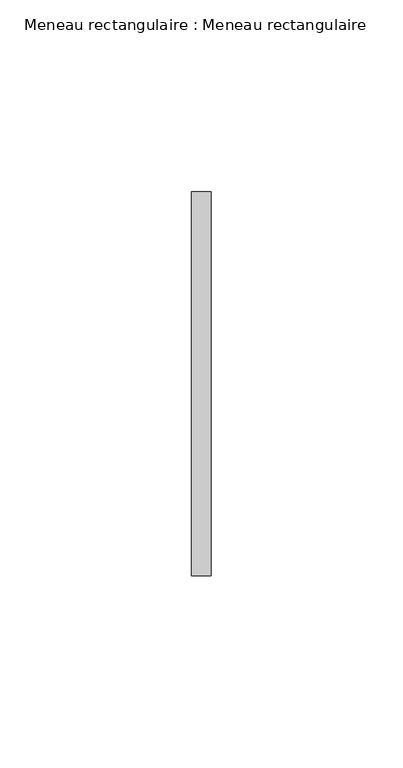
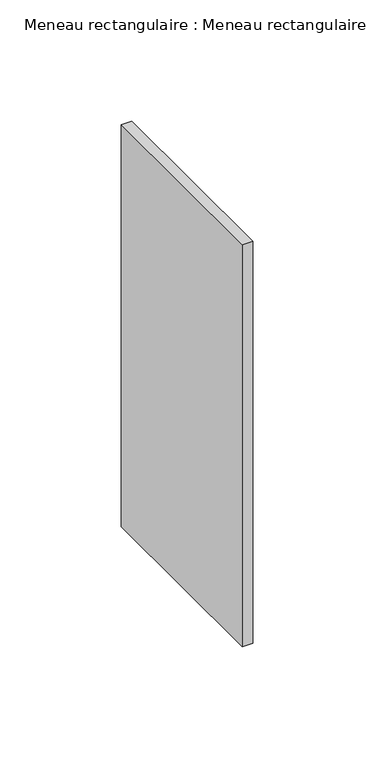
"""IFC4 building model written with IfcOpenShell, lengths in millimetres: member geometry, Meneau rectangulaire : Meneau rectangulaire."""

from ifc_helpers import new_model, si_unit, frame, origin, place, context, project, spatial, polyline, outline, extrude, source, transform, mapped, element, save


def meneau_rectangulaire_meneau_rectangulaire_6ae63805(model_context):
    return source(origin(), model_context, "Body", "SweptSolid", [
        extrude(outline(polyline([(2.5, 0.0), (-2.5, 0.0), (-2.5, 100.0), (2.5, 100.0), (2.5, 0.0)])), frame((0.0, 0.0, -202.5), z_axis=(0.0, 0.0, 1.0), x_axis=(1.0, 0.0, 0.0)), (0.0, 0.0, 1.0), 202.5),
    ])


if __name__ == "__main__":
    model = new_model("IFC4")
    model_context = context("Model", 3, world=origin())
    ifc_project = project(units=[si_unit("LENGTHUNIT", "METRE", prefix="MILLI")], contexts=[model_context])
    site = spatial("IfcSite", under=ifc_project)
    building = spatial("IfcBuilding", under=site)
    placement = place(None, origin())
    meneau_rectangulaire_meneau_rectangulaire_shape = meneau_rectangulaire_meneau_rectangulaire_6ae63805(model_context)
    element("IfcMember", 1, ObjectType="Meneau rectangulaire : Meneau rectangulaire", at=placement, inside=building, context=model_context, shape_type="MappedRepresentation", body=[
        mapped(meneau_rectangulaire_meneau_rectangulaire_shape, transform((0.0, 0.0, 0.0), x_axis=(1.0, 0.0, 0.0), y_axis=(0.0, 1.0, 0.0), z_axis=(0.0, 0.0, 1.0))),
    ])
    save(model, "model.ifc")
